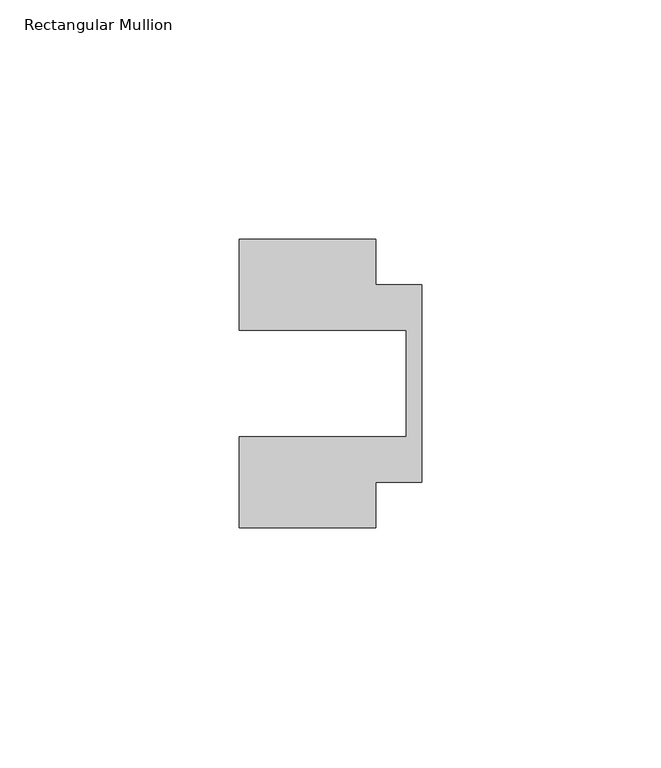
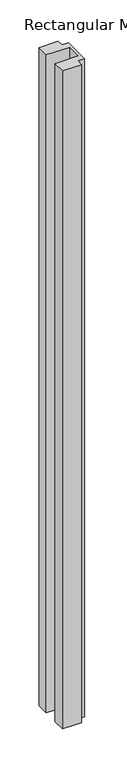
"""IFC4 building model written with IfcOpenShell, lengths in millimetres: member geometry, Rectangular Mullion."""

import ifcopenshell
import ifcopenshell.guid

model = None  # the IFC model being written
_history = None  # IfcOwnerHistory: only IFC2X3 demands one
_inside = {}  # id of a spatial element -> (the spatial element, [elements in it])
_under = {}  # id of a project, library or spatial element -> (it, [spatial elements below it])
_declared = {}  # id of a project -> (the project, [libraries it declares])
_typed = {}  # id of a type object -> (the type object, [elements of that type])
_made_of = {}  # id of a material, layer set ... -> (it, [elements and type objects made of it])


def new_model(schema):
    """Start an empty IFC model of exactly this schema.

    Asked for "IFC4X3", IfcOpenShell would pick the latest addendum, in which some entities
    have other attributes; the version numbers below select the first issue.
    IFC2X3 requires an IfcOwnerHistory on every rooted entity: one is made here for all.
    """
    global model, _history
    if schema == "IFC4X3":
        model = ifcopenshell.file(schema_version=(4, 3, 0, 0))
    else:
        model = ifcopenshell.file(schema=schema)
    _inside.clear()
    _under.clear()
    _declared.clear()
    _typed.clear()
    _made_of.clear()
    _history = None
    if model.schema == "IFC2X3":
        org = make("IfcOrganization", Name="unknown")
        user = make(
            "IfcPersonAndOrganization",
            ThePerson=make("IfcPerson", FamilyName="unknown"),
            TheOrganization=org,
        )
        app = make(
            "IfcApplication",
            ApplicationDeveloper=org,
            Version="unknown",
            ApplicationFullName="unknown",
            ApplicationIdentifier="unknown",
        )
        _history = make(
            "IfcOwnerHistory",
            OwningUser=user,
            OwningApplication=app,
            ChangeAction="ADDED",
            CreationDate=0,
        )
    return model


def make(cls, **values):
    """One entity of the class cls with the attributes given. An attribute that is None is left unset."""
    return model.create_entity(
        cls, **{name: value for name, value in values.items() if value is not None}
    )


def rooted(cls, **values):
    """An entity with a GlobalId (a new one), such as an element, a storey or a relation."""
    return make(cls, GlobalId=ifcopenshell.guid.new(), OwnerHistory=_history, **values)


def si_unit(unit_type, name, prefix=None):
    """IfcSIUnit, for example si_unit("LENGTHUNIT", "METRE", prefix="MILLI")."""
    return make("IfcSIUnit", UnitType=unit_type, Prefix=prefix, Name=name)


def assignment(units):
    """IfcUnitAssignment: the units of a project."""
    return None if units is None else make("IfcUnitAssignment", Units=units)


def point(xyz):
    """IfcCartesianPoint."""
    return None if xyz is None else make("IfcCartesianPoint", Coordinates=xyz)


def direction(xyz):
    """IfcDirection."""
    return None if xyz is None else make("IfcDirection", DirectionRatios=xyz)


def frame(location, z_axis=None, x_axis=None):
    """IfcAxis2Placement3D, a coordinate frame: its origin and axes. An axis left out is left unset."""
    return make(
        "IfcAxis2Placement3D",
        Location=point(location),
        Axis=direction(z_axis),
        RefDirection=direction(x_axis),
    )


def origin():
    """The frame at (0, 0, 0) with its axes left unset."""
    return frame((0.0, 0.0, 0.0))


def place(relative_to, where):
    """IfcLocalPlacement: puts the frame where relative to a parent placement (None: the world)."""
    return make(
        "IfcLocalPlacement", PlacementRelTo=relative_to, RelativePlacement=where
    )


def context(
    kind, dimensions, precision=None, world=None, true_north=None, identifier=None
):
    """IfcGeometricRepresentationContext, for example the 3D "Model" context."""
    return make(
        "IfcGeometricRepresentationContext",
        ContextIdentifier=identifier,
        ContextType=kind,
        CoordinateSpaceDimension=dimensions,
        Precision=precision,
        WorldCoordinateSystem=world,
        TrueNorth=true_north,
    )


def project(units=None, contexts=None):
    """IfcProject with its units and contexts."""
    return rooted(
        "IfcProject",
        Name="project",
        RepresentationContexts=contexts,
        UnitsInContext=assignment(units),
    )


def spatial(cls, under=None, at=None, **own):
    """A site, building, storey or space (cls), placed at a placement, below another one or the project."""
    s = rooted(cls, ObjectPlacement=at, **own)
    if under is not None:
        _under.setdefault(under.id(), (under, []))[1].append(s)
    return s


def polyline(points):
    """IfcPolyline through the points."""
    return make("IfcPolyline", Points=[point(p) for p in points])


def outline(outer, holes=None, kind="AREA"):
    """IfcArbitraryClosedProfileDef: a profile drawn as a closed curve; with holes, ...WithVoids."""
    if holes is None:
        return make("IfcArbitraryClosedProfileDef", ProfileType=kind, OuterCurve=outer)
    return make(
        "IfcArbitraryProfileDefWithVoids",
        ProfileType=kind,
        OuterCurve=outer,
        InnerCurves=holes,
    )


def extrude(swept, where, along, depth):
    """IfcExtrudedAreaSolid: the profile swept, set in the frame where, extruded along a direction by depth."""
    return make(
        "IfcExtrudedAreaSolid",
        SweptArea=swept,
        Position=where,
        ExtrudedDirection=direction(along),
        Depth=depth,
    )


def shape(context_of_items, identifier, shape_type, items):
    """IfcShapeRepresentation: the items that make up one representation, for example the "Body"."""
    return make(
        "IfcShapeRepresentation",
        ContextOfItems=context_of_items,
        RepresentationIdentifier=identifier,
        RepresentationType=shape_type,
        Items=items,
    )


def source(mapping_origin, context_of_items, identifier, shape_type, items):
    """IfcRepresentationMap: a shape defined once, which mapped items show again and again."""
    return make(
        "IfcRepresentationMap",
        MappingOrigin=mapping_origin,
        MappedRepresentation=shape(context_of_items, identifier, shape_type, items),
    )


def transform(
    local_origin,
    x_axis=None,
    y_axis=None,
    z_axis=None,
    scale=None,
    scale2=None,
    scale3=None,
    uniform=True,
):
    """IfcCartesianTransformationOperator3D, or its non-uniform kind. x_axis, y_axis, z_axis: its Axis1, 2, 3."""
    if uniform:
        return make(
            "IfcCartesianTransformationOperator3D",
            Axis1=direction(x_axis),
            Axis2=direction(y_axis),
            LocalOrigin=point(local_origin),
            Scale=scale,
            Axis3=direction(z_axis),
        )
    return make(
        "IfcCartesianTransformationOperator3DnonUniform",
        Axis1=direction(x_axis),
        Axis2=direction(y_axis),
        LocalOrigin=point(local_origin),
        Scale=scale,
        Axis3=direction(z_axis),
        Scale2=scale2,
        Scale3=scale3,
    )


def mapped(mapping_source, mapping_target):
    """IfcMappedItem: shows the shape of a source again, moved by a transform."""
    return make(
        "IfcMappedItem", MappingSource=mapping_source, MappingTarget=mapping_target
    )


def made_of(thing, what):
    """Note that an element or type object is made of a material, layer set ...; save() writes the relation."""
    if what is not None:
        _made_of.setdefault(what.id(), (what, []))[1].append(thing)
    return thing


def element(
    cls,
    number,
    at=None,
    inside=None,
    cuts=None,
    type_object=None,
    material=None,
    context=None,
    identifier="Body",
    shape_type=None,
    held_by="IfcProductDefinitionShape",
    body=None,
    shapes=None,
    **own,
):
    """One element of the class cls, such as IfcWall. Its Tag is "e" and its number.

    at: its placement. inside: the storey or other place that contains it. cuts: it is an
    opening in that element (IfcRelVoidsElement). A single representation is given by context,
    identifier, shape_type and body (its items); several are given by shapes. held_by: the class
    of the entity that holds the representations. save() writes the other relations.
    """
    e = rooted(cls, Tag="e%d" % number, ObjectPlacement=at, **own)
    if body is not None:
        shapes = [shape(context, identifier, shape_type, body)]
    if shapes is not None:
        e.Representation = make(held_by, Representations=shapes)
    if inside is not None:
        _inside.setdefault(inside.id(), (inside, []))[1].append(e)
    if cuts is not None:
        rooted(
            "IfcRelVoidsElement", RelatingBuildingElement=cuts, RelatedOpeningElement=e
        )
    if type_object is not None:
        _typed.setdefault(type_object.id(), (type_object, []))[1].append(e)
    return made_of(e, material)


def aggregate(whole, parts):
    """IfcRelAggregates: a whole, such as a stair, and the parts it consists of."""
    return rooted("IfcRelAggregates", RelatingObject=whole, RelatedObjects=parts)


def save(model, path):
    """Write the relations noted so far, then the file.

    IfcRelAggregates (storeys below a building ...), IfcRelContainedInSpatialStructure (elements
    in a storey), IfcRelDefinesByType, IfcRelAssociatesMaterial and IfcRelDeclares: one each for
    every whole, place, type object, material and project.
    """
    for whole, parts in _under.values():
        aggregate(whole, parts)
    for where, things in _inside.values():
        rooted(
            "IfcRelContainedInSpatialStructure",
            RelatedElements=things,
            RelatingStructure=where,
        )
    for kind, things in _typed.values():
        rooted("IfcRelDefinesByType", RelatedObjects=things, RelatingType=kind)
    for what, things in _made_of.values():
        rooted("IfcRelAssociatesMaterial", RelatedObjects=things, RelatingMaterial=what)
    for by, libraries in _declared.values():
        rooted("IfcRelDeclares", RelatingContext=by, RelatedDefinitions=libraries)
    model.write(path)


def rectangular_mullion_895b7405(model_context):
    return source(origin(), model_context, "Body", "SweptSolid", [
        extrude(outline(polyline([(-38.1, 11.1125), (-38.1, 30.1625), (-9.525, 30.1625), (-9.525, 20.6375), (0.0, 20.6375), (0.0, -20.6375), (-9.525, -20.6375), (-9.525, -30.1625), (-38.1, -30.1625), (-38.1, -11.1125), (-3.175, -11.1125), (-3.175, 11.1125), (-38.1, 11.1125)])), frame((0.0, 0.0, -1028.6731001), z_axis=(0.0, 0.0, 1.0), x_axis=(1.0, 0.0, 0.0)), (0.0, 0.0, 1.0), 1028.6731001),
    ])


if __name__ == "__main__":
    model = new_model("IFC4")
    model_context = context("Model", 3, world=origin())
    ifc_project = project(units=[si_unit("LENGTHUNIT", "METRE", prefix="MILLI")], contexts=[model_context])
    site = spatial("IfcSite", under=ifc_project)
    building = spatial("IfcBuilding", under=site)
    placement = place(None, origin())
    rectangular_mullion_shape = rectangular_mullion_895b7405(model_context)
    element("IfcMember", 1, ObjectType="Rectangular Mullion", at=placement, inside=building, context=model_context, shape_type="MappedRepresentation", body=[
        mapped(rectangular_mullion_shape, transform((0.0, 0.0, 0.0), x_axis=(1.0, 0.0, 0.0), y_axis=(0.0, 1.0, 0.0), z_axis=(0.0, 0.0, 1.0))),
    ])
    save(model, "model.ifc")
